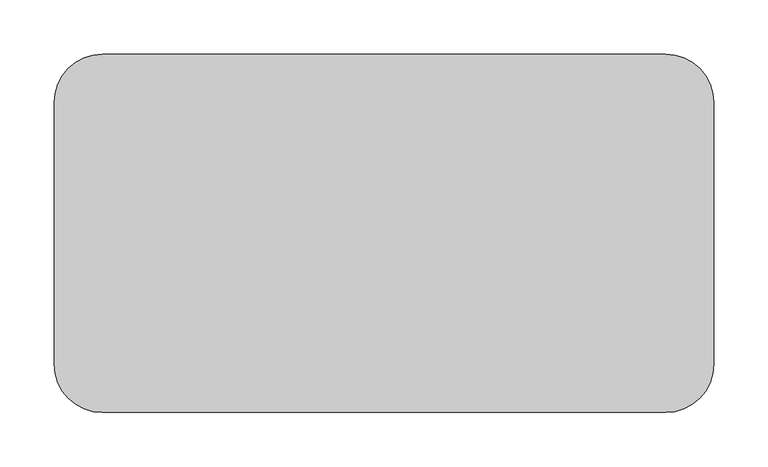
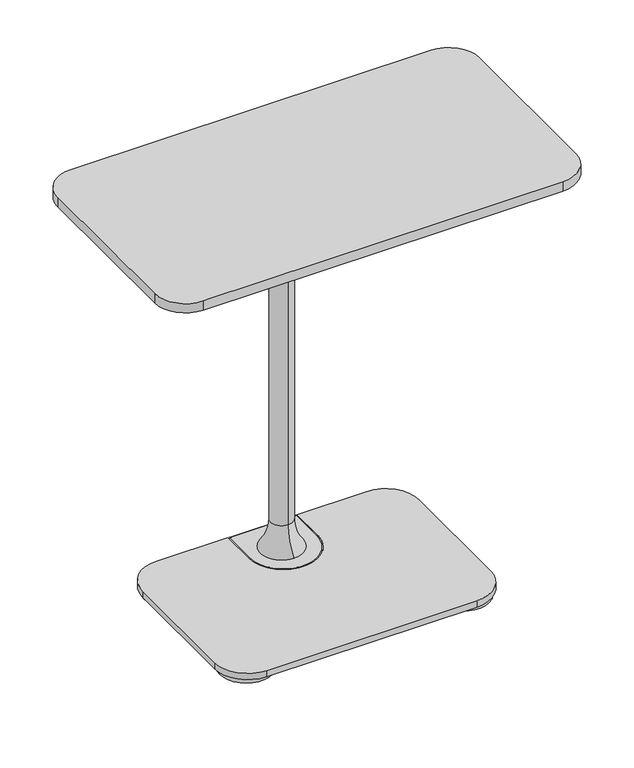
"""IFC4 building model written with IfcOpenShell, lengths in millimetres: furniture geometry."""

from ifc_helpers import new_model, si_unit, point, frame, frame_2d, origin, origin_with_axes, place, context, project, spatial, polyline, circle_curve, ellipse_curve, trimmed, segment, composite_curve, outline, extrude, source, transform, mapped, element, save
from ifc_brep_helpers import plane_surface, cylinder_surface, revolved_surface, advanced_brep


def furniture_caa6e2d8(model_context):
    return source(origin(), model_context, "Body", "SolidModel", [
        extrude(outline(composite_curve([segment(trimmed(circle_curve(frame_2d((259.8290186, 120.65)), 44.45), [point((259.8290186, 165.1))], [point((304.2790186, 120.65))], False, "CARTESIAN"), True, "CONTINUOUS"), segment(polyline([(304.2790186, 120.65), (304.2790186, -120.65)]), True, "CONTINUOUS"), segment(trimmed(circle_curve(frame_2d((259.8290186, -120.65)), 44.45), [point((304.2790186, -120.65))], [point((259.8290186, -165.1))], False, "CARTESIAN"), True, "CONTINUOUS"), segment(polyline([(259.8290186, -165.1), (-259.2190069, -165.1)]), True, "CONTINUOUS"), segment(trimmed(circle_curve(frame_2d((-259.2190069, -120.65)), 44.45), [point((-259.2190069, -165.1))], [point((-303.6690069, -120.65))], False, "CARTESIAN"), True, "CONTINUOUS"), segment(polyline([(-303.6690069, -120.65), (-303.6690069, 120.65)]), True, "CONTINUOUS"), segment(trimmed(circle_curve(frame_2d((-259.2190069, 120.65)), 44.45), [point((-303.6690069, 120.65))], [point((-259.2190069, 165.1))], False, "CARTESIAN"), True, "CONTINUOUS"), segment(polyline([(-259.2190069, 165.1), (259.8290186, 165.1)]), True, "CONTINUOUS")], self_intersect=False)), frame((0.0, 0.0, 620.8077946), z_axis=(0.0, 0.0, 1.0), x_axis=(1.0, 0.0, 0.0)), (0.0, 0.0, 1.0), 14.2239864),
        advanced_brep(
        [(-48.435586, 86.197599, 15.3754683), (51.6565428, 86.197599, 15.3754683), (50.1397432, 86.197599, 16.8922679), (-46.9187865, 86.197599, 16.8922679), (-48.435586, 86.197599, 7.5129953), (51.6565428, 86.197599, 7.5129953), (-46.9187865, 135.1065525, 16.8922679), (-48.435586, 135.1065525, 15.3754683), (-48.435586, 135.1065525, 7.5129953), (-44.9985216, 138.543617, 15.3754683), (-44.9985216, 137.0268174, 16.8922679), (48.2194784, 137.0268174, 16.8922679), (48.2194784, 138.543617, 15.3754683), (48.2194784, 138.543617, 7.5129953), (-44.9985216, 138.543617, 7.5129953), (51.6565428, 135.1065525, 15.3754683), (50.1397432, 135.1065525, 16.8922679), (51.6565428, 135.1065525, 7.5129953)],
        [
            (0, 1, circle_curve(frame((1.6104784, 86.197599, 15.3754683), z_axis=(0.0, 0.0, 1.0), x_axis=(1.0, 0.0, 0.0)), 50.0460644)),
            (1, 2, circle_curve(frame((50.1397432, 86.197599, 15.3754683), z_axis=(0.0, -1.0, 0.0), x_axis=(1.0, 0.0, 0.0)), 1.5167996)),
            (2, 3, circle_curve(frame((1.6104784, 86.197599, 16.8922679), z_axis=(0.0, 0.0, -1.0), x_axis=(1.0, 0.0, 0.0)), 48.5292649)),
            (3, 0, circle_curve(frame((-46.9187865, 86.197599, 15.3754683), z_axis=(0.0, -1.0, 0.0), x_axis=(-1.0, 0.0, 0.0)), 1.5167996)),
            (0, 4),
            (4, 5, circle_curve(frame((1.6104784, 86.197599, 7.5129953), z_axis=(0.0, 0.0, 1.0), x_axis=(1.0, 0.0, 0.0)), 50.0460644)),
            (5, 1),
            (3, 6),
            (6, 7, circle_curve(frame((-46.9187865, 135.1065525, 15.3754683), z_axis=(0.0, -1.0, 0.0), x_axis=(-1.0, 0.0, 0.0)), 1.5167996)),
            (7, 0),
            (7, 8),
            (8, 4),
            (9, 10, circle_curve(frame((-44.9985216, 137.0268174, 15.3754683), z_axis=(1.0, 0.0, 0.0), x_axis=(0.0, 1.0, 0.0)), 1.5167996)),
            (10, 11),
            (11, 12, circle_curve(frame((48.2194784, 137.0268174, 15.3754683), z_axis=(-1.0, 0.0, 0.0), x_axis=(0.0, 1.0, 0.0)), 1.5167996)),
            (12, 9),
            (12, 13),
            (13, 14),
            (14, 9),
            (1, 15),
            (15, 16, circle_curve(frame((50.1397432, 135.1065525, 15.3754683), z_axis=(0.0, -1.0, 0.0), x_axis=(1.0, 0.0, 0.0)), 1.5167996)),
            (16, 2),
            (5, 17),
            (17, 15),
            (6, 10, circle_curve(frame((-44.9985216, 135.1065525, 16.8922679), z_axis=(0.0, 0.0, -1.0), x_axis=(-1.0, 0.0, 0.0)), 1.9202649)),
            (9, 7, circle_curve(frame((-44.9985216, 135.1065525, 15.3754683), z_axis=(0.0, 0.0, 1.0), x_axis=(-1.0, 0.0, 0.0)), 3.4370644)),
            (14, 8, circle_curve(frame((-44.9985216, 135.1065525, 7.5129953), z_axis=(0.0, 0.0, 1.0), x_axis=(-1.0, 0.0, 0.0)), 3.4370644)),
            (16, 11, circle_curve(frame((48.2194784, 135.1065525, 16.8922679), z_axis=(0.0, 0.0, 1.0), x_axis=(0.0, 1.0, 0.0)), 1.9202649)),
            (15, 12, circle_curve(frame((48.2194784, 135.1065525, 15.3754683), z_axis=(0.0, 0.0, 1.0), x_axis=(0.0, 1.0, 0.0)), 3.4370644)),
            (17, 13, circle_curve(frame((48.2194784, 135.1065525, 7.5129953), z_axis=(0.0, 0.0, 1.0), x_axis=(0.0, 1.0, 0.0)), 3.4370644)),
        ],
        [
            revolved_surface(trimmed(ellipse_curve(frame((50.1397432, 86.197599, 15.3754683), z_axis=(0.0, 1.0, 0.0), x_axis=(1.0, 0.0, 0.0)), 1.5167996, 1.5167996), [point((50.1397432, 86.197599, 16.8922679))], [point((51.6565428, 86.197599, 15.3754683))], True, "CARTESIAN"), (1.6104784, 86.197599, 16.8922679), (0.0, 0.0, -1.0)),
            cylinder_surface(frame((1.6104784, 86.197599, 16.8922679), z_axis=(0.0, 0.0, -1.0), x_axis=(1.0, 0.0, 0.0)), 50.0460644),
            cylinder_surface(frame((-46.9187865, 86.197599, 15.3754683), z_axis=(0.0, -1.0, 0.0), x_axis=(-1.0, 0.0, 0.0)), 1.5167996),
            plane_surface(frame((-48.435586, 86.197599, 15.3754683), z_axis=(-1.0, 0.0, 0.0), x_axis=(0.0, 1.0, 0.0))),
            cylinder_surface(frame((-44.9985216, 137.0268174, 15.3754683), z_axis=(-1.0, 0.0, 0.0), x_axis=(0.0, 1.0, 0.0)), 1.5167996),
            plane_surface(frame((-44.9985216, 138.543617, 15.3754683), z_axis=(0.0, 1.0, 0.0), x_axis=(1.0, 0.0, 0.0))),
            cylinder_surface(frame((50.1397432, 135.1065525, 15.3754683), z_axis=(0.0, 1.0, 0.0), x_axis=(1.0, 0.0, 0.0)), 1.5167996),
            plane_surface(frame((51.6565428, 135.1065525, 15.3754683), z_axis=(1.0, 0.0, 0.0), x_axis=(0.0, -1.0, 0.0))),
            revolved_surface(trimmed(ellipse_curve(frame((-46.9187865, 135.1065525, 15.3754683), z_axis=(0.0, -1.0, 0.0), x_axis=(-1.0, 0.0, 0.0)), 1.5167996, 1.5167996), [point((-46.9187865, 135.1065525, 16.8922679))], [point((-48.435586, 135.1065525, 15.3754683))], True, "CARTESIAN"), (-44.9985216, 135.1065525, 16.8922679), (0.0, 0.0, -1.0)),
            cylinder_surface(frame((-44.9985216, 135.1065525, 16.8922679), z_axis=(0.0, 0.0, -1.0), x_axis=(-1.0, 0.0, 0.0)), 3.4370644),
            plane_surface(frame((48.2194784, 135.1065525, 16.8922679), z_axis=(0.0, 0.0, 1.0), x_axis=(0.0, 1.0, 0.0))),
            revolved_surface(trimmed(ellipse_curve(frame((48.2194784, 137.0268174, 15.3754683), z_axis=(-1.0, 0.0, 0.0), x_axis=(0.0, 1.0, 0.0)), 1.5167996, 1.5167996), [point((48.2194784, 137.0268174, 16.8922679))], [point((48.2194784, 138.543617, 15.3754683))], True, "CARTESIAN"), (48.2194784, 135.1065525, 16.8922679), (0.0, 0.0, -1.0)),
            cylinder_surface(frame((48.2194784, 135.1065525, 16.8922679), z_axis=(0.0, 0.0, -1.0), x_axis=(0.0, 1.0, 0.0)), 3.4370644),
            plane_surface(frame((48.2194784, 135.1065525, 7.5129953), z_axis=(0.0, 0.0, -1.0), x_axis=(0.0, 1.0, 0.0))),
        ],
        [
            (0, [[1, 2, 3, 4]]),
            (1, [[-1, 5, 6, 7]]),
            (2, [[-4, 8, 9, 10]]),
            (3, [[-5, -10, 11, 12]]),
            (4, [[13, 14, 15, 16]]),
            (5, [[-16, 17, 18, 19]]),
            (6, [[-2, 20, 21, 22]]),
            (7, [[-7, 23, 24, -20]]),
            (8, [[-9, 25, -13, 26]]),
            (9, [[-11, -26, -19, 27]]),
            (10, [[-3, -22, 28, -14, -25, -8]]),
            (11, [[-15, -28, -21, 29]]),
            (12, [[-17, -29, -24, 30]]),
            (13, [[-6, -12, -27, -18, -30, -23]]),
        ],
    ),
        advanced_brep(
        [(0.3050059, 104.0506461, 613.6754053), (0.3050059, 104.0506461, 59.1225811), (0.3050059, 72.1983752, 59.1225811), (0.3050059, 72.1983752, 613.6754053), (0.3050059, 57.1200218, 16.8922679), (0.3050059, 119.1289995, 16.8922679), (0.3050059, 88.1245106, 16.8922679), (130.6684254, 113.5493395, 620.8077946), (-128.4115261, 113.5493395, 620.8077946), (-138.5715261, 103.3893395, 620.8077946), (-138.5715261, -28.6906605, 620.8077946), (-128.4115261, -38.8506605, 620.8077946), (130.6684254, -38.8506605, 620.8077946), (140.8284254, -28.6906605, 620.8077946), (140.8284254, 103.3893395, 620.8077946), (130.6684254, 113.5493395, 613.6754053), (140.8284254, 103.3893395, 613.6754053), (140.8284254, -28.6906605, 613.6754053), (130.6684254, -38.8506605, 613.6754053), (-128.4115261, -38.8506605, 613.6754053), (-138.5715261, -28.6906605, 613.6754053), (-138.5715261, 103.3893395, 613.6754053), (-128.4115261, 113.5493395, 613.6754053)],
        [
            (0, 1),
            (1, 2, circle_curve(frame((0.3050059, 88.1245106, 59.1225811), z_axis=(0.0, 0.0, 1.0), x_axis=(0.0, 1.0, 0.0)), 15.9261354)),
            (2, 3),
            (3, 0, circle_curve(frame((0.3050059, 88.1245106, 613.6754053), z_axis=(0.0, 0.0, -1.0), x_axis=(0.0, 1.0, 0.0)), 15.9261354)),
            (0, 3, circle_curve(frame((0.3050059, 88.1245106, 613.6754053), z_axis=(0.0, 0.0, -1.0), x_axis=(0.0, 1.0, 0.0)), 15.9261354)),
            (2, 1, circle_curve(frame((0.3050059, 88.1245106, 59.1225811), z_axis=(0.0, 0.0, 1.0), x_axis=(0.0, 1.0, 0.0)), 15.9261354)),
            (4, 5, circle_curve(frame((0.3050059, 88.1245106, 16.8922679), z_axis=(0.0, 0.0, -1.0), x_axis=(0.0, 1.0, 0.0)), 31.0044888)),
            (5, 6),
            (6, 4),
            (5, 4, circle_curve(frame((0.3050059, 88.1245106, 16.8922679), z_axis=(0.0, 0.0, -1.0), x_axis=(0.0, 1.0, 0.0)), 31.0044888)),
            (1, 5, circle_curve(frame((0.3050059, 170.7275585, 59.1225811), z_axis=(1.0, 0.0, 0.0), x_axis=(0.0, 1.0, 0.0)), 66.6769124)),
            (4, 2, circle_curve(frame((0.3050059, 5.5214628, 59.1225811), z_axis=(1.0, 0.0, 0.0), x_axis=(0.0, -1.0, 0.0)), 66.6769124)),
            (7, 8),
            (8, 9, circle_curve(frame((-128.4115261, 103.3893395, 620.8077946), z_axis=(0.0, 0.0, 1.0), x_axis=(1.0, 0.0, 0.0)), 10.16)),
            (9, 10),
            (10, 11, circle_curve(frame((-128.4115261, -28.6906605, 620.8077946), z_axis=(0.0, 0.0, 1.0), x_axis=(1.0, 0.0, 0.0)), 10.16)),
            (11, 12),
            (12, 13, circle_curve(frame((130.6684254, -28.6906605, 620.8077946), z_axis=(0.0, 0.0, 1.0), x_axis=(1.0, 0.0, 0.0)), 10.16)),
            (13, 14),
            (14, 7, circle_curve(frame((130.6684254, 103.3893395, 620.8077946), z_axis=(0.0, 0.0, 1.0), x_axis=(1.0, 0.0, 0.0)), 10.16)),
            (15, 16, circle_curve(frame((130.6684254, 103.3893395, 613.6754053), z_axis=(0.0, 0.0, -1.0), x_axis=(1.0, 0.0, 0.0)), 10.16)),
            (16, 17),
            (17, 18, circle_curve(frame((130.6684254, -28.6906605, 613.6754053), z_axis=(0.0, 0.0, -1.0), x_axis=(1.0, 0.0, 0.0)), 10.16)),
            (18, 19),
            (19, 20, circle_curve(frame((-128.4115261, -28.6906605, 613.6754053), z_axis=(0.0, 0.0, -1.0), x_axis=(1.0, 0.0, 0.0)), 10.16)),
            (20, 21),
            (21, 22, circle_curve(frame((-128.4115261, 103.3893395, 613.6754053), z_axis=(0.0, 0.0, -1.0), x_axis=(1.0, 0.0, 0.0)), 10.16)),
            (22, 15),
            (7, 15),
            (22, 8),
            (21, 9),
            (20, 10),
            (19, 11),
            (18, 12),
            (17, 13),
            (16, 14),
        ],
        [
            cylinder_surface(frame((0.3050059, 88.1245106, 738.9341599), z_axis=(0.0, 0.0, 1.0), x_axis=(0.0, 1.0, 0.0)), 15.9261354),
            plane_surface(frame((0.3050059, 88.1245106, 16.8922679), z_axis=(0.0, 0.0, -1.0), x_axis=(0.0, 1.0, 0.0))),
            revolved_surface(trimmed(ellipse_curve(frame((0.3050059, 170.7275585, 59.1225811), z_axis=(-1.0, 0.0, 0.0), x_axis=(0.0, 1.0, 0.0)), 66.6769124, 66.6769124), [point((0.3050059, 119.1289995, 16.8922679))], [point((0.3050059, 104.0506461, 59.1225811))], True, "CARTESIAN"), (0.3050059, 88.1245106, 738.9341599), (0.0, 0.0, 1.0)),
            plane_surface(frame((-138.5715261, 113.5493395, 620.8077946), z_axis=(0.0, 0.0, 1.0), x_axis=(-1.0, 0.0, 0.0))),
            plane_surface(frame((-138.5715261, 113.5493395, 613.6754053), z_axis=(0.0, 0.0, -1.0), x_axis=(1.0, 0.0, 0.0))),
            plane_surface(frame((130.6684254, 113.5493395, 620.8077946), z_axis=(0.0, 1.0, 0.0), x_axis=(0.0, 0.0, -1.0))),
            cylinder_surface(frame((-128.4115261, 103.3893395, 613.6754053), z_axis=(0.0, 0.0, 1.0), x_axis=(1.0, 0.0, 0.0)), 10.16),
            plane_surface(frame((-138.5715261, 103.3893395, 620.8077946), z_axis=(-1.0, 0.0, 0.0), x_axis=(0.0, 0.0, -1.0))),
            cylinder_surface(frame((-128.4115261, -28.6906605, 613.6754053), z_axis=(0.0, 0.0, 1.0), x_axis=(1.0, 0.0, 0.0)), 10.16),
            plane_surface(frame((-128.4115261, -38.8506605, 620.8077946), z_axis=(0.0, -1.0, 0.0), x_axis=(0.0, 0.0, -1.0))),
            cylinder_surface(frame((130.6684254, -28.6906605, 613.6754053), z_axis=(0.0, 0.0, 1.0), x_axis=(1.0, 0.0, 0.0)), 10.16),
            plane_surface(frame((140.8284254, -28.6906605, 620.8077946), z_axis=(1.0, 0.0, 0.0), x_axis=(0.0, 0.0, -1.0))),
            cylinder_surface(frame((130.6684254, 103.3893395, 613.6754053), z_axis=(0.0, 0.0, 1.0), x_axis=(1.0, 0.0, 0.0)), 10.16),
        ],
        [
            (0, [[1, 2, 3, 4]]),
            (0, [[-1, 5, -3, 6]]),
            (1, [[7, 8, 9]]),
            (1, [[-8, 10, -9]]),
            (2, [[-2, 11, -7, 12]]),
            (2, [[-6, -12, -10, -11]]),
            (3, [[13, 14, 15, 16, 17, 18, 19, 20]]),
            (4, [[21, 22, 23, 24, 25, 26, 27, 28], [-4, -5]]),
            (5, [[-13, 29, -28, 30]]),
            (6, [[-14, -30, -27, 31]]),
            (7, [[-15, -31, -26, 32]]),
            (8, [[-16, -32, -25, 33]]),
            (9, [[-17, -33, -24, 34]]),
            (10, [[-18, -34, -23, 35]]),
            (11, [[-19, -35, -22, 36]]),
            (12, [[-20, -36, -21, -29]]),
        ],
    ),
        advanced_brep(
        [(-48.435586, 138.1507449, 16.8922679), (-151.226713, 138.1507449, 16.8922679), (-198.851713, 90.5257449, 16.8922679), (-198.851713, -89.2299982, 16.8922679), (-151.226713, -136.8549982, 16.8922679), (151.8367247, -136.8549982, 16.8922679), (199.4617247, -89.2299982, 16.8922679), (199.4617247, 90.5257449, 16.8922679), (151.8367247, 138.1507449, 16.8922679), (51.6565428, 138.1507449, 16.8922679), (51.6565428, 86.197599, 16.8922679), (-48.435586, 86.197599, 16.8922679), (-48.435586, 138.1507449, 7.5129953), (-48.435586, 86.197599, 7.5129953), (51.6565428, 86.197599, 7.5129953), (51.6565428, 138.1507449, 7.5129953), (151.8367247, 138.1507449, 7.5129953), (199.4617247, 90.5257449, 7.5129953), (199.4617247, -89.2299982, 7.5129953), (151.8367247, -136.8549982, 7.5129953), (-151.226713, -136.8549982, 7.5129953), (-198.851713, -89.2299982, 7.5129953), (-198.851713, 90.5257449, 7.5129953), (-151.226713, 138.1507449, 7.5129953)],
        [
            (0, 1),
            (1, 2, circle_curve(frame((-151.226713, 90.5257449, 16.8922679), z_axis=(0.0, 0.0, 1.0), x_axis=(1.0, 0.0, 0.0)), 47.625)),
            (2, 3),
            (3, 4, circle_curve(frame((-151.226713, -89.2299982, 16.8922679), z_axis=(0.0, 0.0, 1.0), x_axis=(1.0, 0.0, 0.0)), 47.625)),
            (4, 5),
            (5, 6, circle_curve(frame((151.8367247, -89.2299982, 16.8922679), z_axis=(0.0, 0.0, 1.0), x_axis=(1.0, 0.0, 0.0)), 47.625)),
            (6, 7),
            (7, 8, circle_curve(frame((151.8367247, 90.5257449, 16.8922679), z_axis=(0.0, 0.0, 1.0), x_axis=(1.0, 0.0, 0.0)), 47.625)),
            (8, 9),
            (9, 10),
            (10, 11, circle_curve(frame((1.6104784, 86.197599, 16.8922679), z_axis=(0.0, 0.0, -1.0), x_axis=(1.0, 0.0, 0.0)), 50.0460644)),
            (11, 0),
            (12, 13),
            (13, 14, circle_curve(frame((1.6104784, 86.197599, 7.5129953), z_axis=(0.0, 0.0, 1.0), x_axis=(1.0, 0.0, 0.0)), 50.0460644)),
            (14, 15),
            (15, 16),
            (16, 17, circle_curve(frame((151.8367247, 90.5257449, 7.5129953), z_axis=(0.0, 0.0, -1.0), x_axis=(1.0, 0.0, 0.0)), 47.625)),
            (17, 18),
            (18, 19, circle_curve(frame((151.8367247, -89.2299982, 7.5129953), z_axis=(0.0, 0.0, -1.0), x_axis=(1.0, 0.0, 0.0)), 47.625)),
            (19, 20),
            (20, 21, circle_curve(frame((-151.226713, -89.2299982, 7.5129953), z_axis=(0.0, 0.0, -1.0), x_axis=(1.0, 0.0, 0.0)), 47.625)),
            (21, 22),
            (22, 23, circle_curve(frame((-151.226713, 90.5257449, 7.5129953), z_axis=(0.0, 0.0, -1.0), x_axis=(1.0, 0.0, 0.0)), 47.625)),
            (23, 12),
            (0, 12),
            (23, 1),
            (22, 2),
            (21, 3),
            (20, 4),
            (19, 5),
            (18, 6),
            (17, 7),
            (16, 8),
            (15, 9),
            (14, 10),
            (13, 11),
        ],
        [
            plane_surface(frame((-151.226713, 138.1507449, 16.8922679), z_axis=(0.0, 0.0, 1.0), x_axis=(-1.0, 0.0, 0.0))),
            plane_surface(frame((-151.226713, 138.1507449, 7.5129953), z_axis=(0.0, 0.0, -1.0), x_axis=(1.0, 0.0, 0.0))),
            plane_surface(frame((-48.435586, 138.1507449, 16.8922679), z_axis=(0.0, 1.0, 0.0), x_axis=(0.0, 0.0, -1.0))),
            cylinder_surface(frame((-151.226713, 90.5257449, 7.5129953), z_axis=(0.0, 0.0, 1.0), x_axis=(1.0, 0.0, 0.0)), 47.625),
            plane_surface(frame((-198.851713, 90.5257449, 16.8922679), z_axis=(-1.0, 0.0, 0.0), x_axis=(0.0, 0.0, -1.0))),
            cylinder_surface(frame((-151.226713, -89.2299982, 7.5129953), z_axis=(0.0, 0.0, 1.0), x_axis=(1.0, 0.0, 0.0)), 47.625),
            plane_surface(frame((-151.226713, -136.8549982, 16.8922679), z_axis=(0.0, -1.0, 0.0), x_axis=(0.0, 0.0, -1.0))),
            cylinder_surface(frame((151.8367247, -89.2299982, 7.5129953), z_axis=(0.0, 0.0, 1.0), x_axis=(1.0, 0.0, 0.0)), 47.625),
            plane_surface(frame((199.4617247, -89.2299982, 16.8922679), z_axis=(1.0, 0.0, 0.0), x_axis=(0.0, 0.0, -1.0))),
            cylinder_surface(frame((151.8367247, 90.5257449, 7.5129953), z_axis=(0.0, 0.0, 1.0), x_axis=(1.0, 0.0, 0.0)), 47.625),
            plane_surface(frame((151.8367247, 138.1507449, 16.8922679), z_axis=(0.0, 1.0, 0.0), x_axis=(0.0, 0.0, -1.0))),
            plane_surface(frame((51.6565428, 138.1507449, 16.8922679), z_axis=(-1.0, 0.0, 0.0), x_axis=(0.0, 0.0, -1.0))),
            revolved_surface(polyline([(51.6565428, 86.197599, 7.5129953), (51.6565428, 86.197599, 16.8922679)]), (1.6104784, 86.197599, 7.5129953), (0.0, 0.0, -1.0)),
            plane_surface(frame((-48.435586, 86.197599, 16.8922679), z_axis=(1.0, 0.0, 0.0), x_axis=(0.0, 0.0, -1.0))),
        ],
        [
            (0, [[1, 2, 3, 4, 5, 6, 7, 8, 9, 10, 11, 12]]),
            (1, [[13, 14, 15, 16, 17, 18, 19, 20, 21, 22, 23, 24]]),
            (2, [[-1, 25, -24, 26]]),
            (3, [[-2, -26, -23, 27]]),
            (4, [[-3, -27, -22, 28]]),
            (5, [[-4, -28, -21, 29]]),
            (6, [[-5, -29, -20, 30]]),
            (7, [[-6, -30, -19, 31]]),
            (8, [[-7, -31, -18, 32]]),
            (9, [[-8, -32, -17, 33]]),
            (10, [[-9, -33, -16, 34]]),
            (11, [[-10, -34, -15, 35]]),
            (12, [[-11, -35, -14, 36]]),
            (13, [[-12, -36, -13, -25]]),
        ],
    ),
        extrude(outline(composite_curve([segment(trimmed(circle_curve(frame_2d((-155.7760334, 95.0805112)), 38.1), [point((-193.8760334, 95.0805112))], [point((-117.6760334, 95.0805112))], False, "CARTESIAN"), True, "CONTINUOUS"), segment(trimmed(circle_curve(frame_2d((-155.7760334, 95.0805112)), 38.1), [point((-117.6760334, 95.0805112))], [point((-193.8760334, 95.0805112))], False, "CARTESIAN"), True, "CONTINUOUS")], self_intersect=False)), origin_with_axes(), (0.0, 0.0, 1.0), 7.5129953),
        extrude(outline(composite_curve([segment(trimmed(circle_curve(frame_2d((156.3860451, 95.0805112)), 38.1), [point((118.2860451, 95.0805112))], [point((194.4860451, 95.0805112))], False, "CARTESIAN"), True, "CONTINUOUS"), segment(trimmed(circle_curve(frame_2d((156.3860451, 95.0805112)), 38.1), [point((194.4860451, 95.0805112))], [point((118.2860451, 95.0805112))], False, "CARTESIAN"), True, "CONTINUOUS")], self_intersect=False)), origin_with_axes(), (0.0, 0.0, 1.0), 7.5129953),
        extrude(outline(composite_curve([segment(trimmed(circle_curve(frame_2d((156.3860451, -93.7847644)), 38.1), [point((118.2860451, -93.7847644))], [point((194.4860451, -93.7847644))], False, "CARTESIAN"), True, "CONTINUOUS"), segment(trimmed(circle_curve(frame_2d((156.3860451, -93.7847644)), 38.1), [point((194.4860451, -93.7847644))], [point((118.2860451, -93.7847644))], False, "CARTESIAN"), True, "CONTINUOUS")], self_intersect=False)), origin_with_axes(), (0.0, 0.0, 1.0), 7.5129953),
        extrude(outline(composite_curve([segment(trimmed(circle_curve(frame_2d((-155.7760334, -93.7847644)), 38.1), [point((-193.8760334, -93.7847644))], [point((-117.6760334, -93.7847644))], False, "CARTESIAN"), True, "CONTINUOUS"), segment(trimmed(circle_curve(frame_2d((-155.7760334, -93.7847644)), 38.1), [point((-117.6760334, -93.7847644))], [point((-193.8760334, -93.7847644))], False, "CARTESIAN"), True, "CONTINUOUS")], self_intersect=False)), origin_with_axes(), (0.0, 0.0, 1.0), 7.5129953),
    ])


if __name__ == "__main__":
    model = new_model("IFC4")
    model_context = context("Model", 3, world=origin())
    ifc_project = project(units=[si_unit("LENGTHUNIT", "METRE", prefix="MILLI")], contexts=[model_context])
    site = spatial("IfcSite", under=ifc_project)
    building = spatial("IfcBuilding", under=site)
    placement = place(None, origin())
    furniture_shape = furniture_caa6e2d8(model_context)
    element("IfcFurniture", 1, at=placement, inside=building, context=model_context, shape_type="MappedRepresentation", body=[
        mapped(furniture_shape, transform((0.0, 0.0, 0.0), x_axis=(1.0, 0.0, 0.0), y_axis=(0.0, 1.0, 0.0), z_axis=(0.0, 0.0, 1.0))),
    ])
    save(model, "model.ifc")
